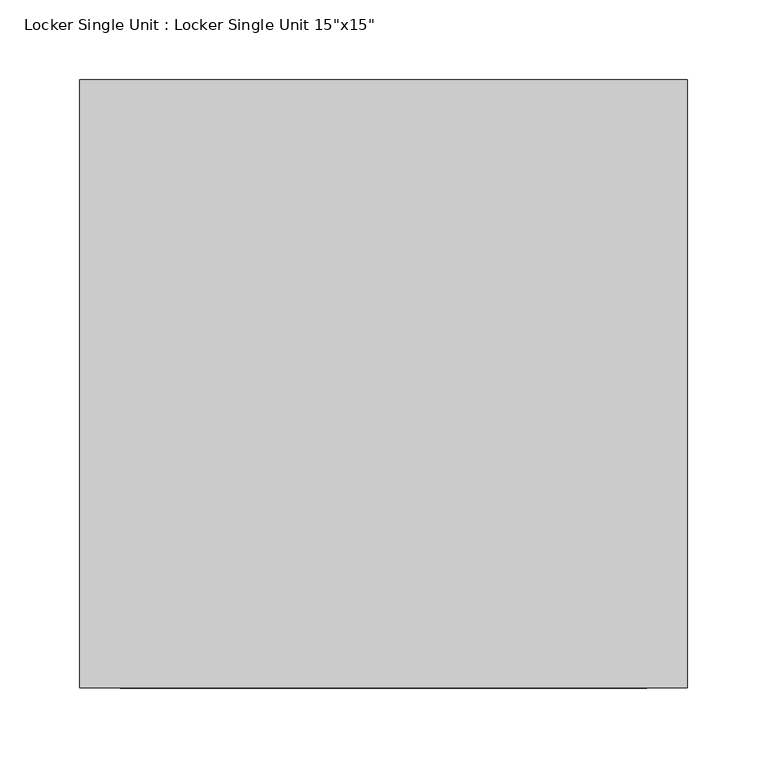
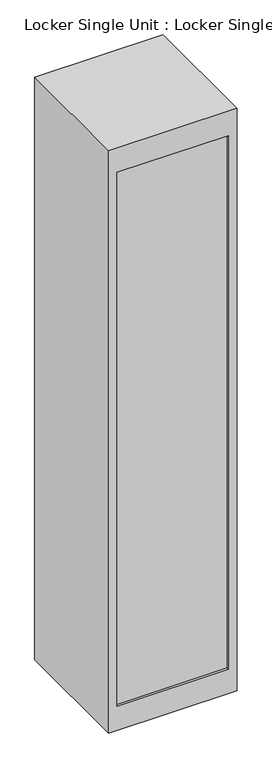
"""IFC4 building model written with IfcOpenShell, lengths in millimetres: furniture geometry."""

from ifc_helpers import new_model, si_unit, origin, place, context, project, spatial, faceted_brep, source, transform, mapped, element, save


def furniture_2f98ca00(model_context):
    return source(origin(), model_context, "Body", "Brep", [
        faceted_brep([(190.5, -190.5, 1828.8), (190.5, 190.5, 1828.8), (-190.5, 190.5, 1828.8), (-190.5, -190.5, 1828.8), (190.5, -190.5, 0.0), (-190.5, -190.5, 0.0), (-190.5, 190.5, 0.0), (190.5, 190.5, 0.0), (165.1, -190.5, 1752.6), (165.1, -190.5, 76.2), (-165.1, -190.5, 76.2), (-165.1, -190.5, 1752.6), (165.1, -184.15, 76.2), (165.1, -184.15, 1752.6), (-165.1, -184.15, 1752.6), (-165.1, -184.15, 76.2)], [[[0, 1, 2, 3]], [[4, 5, 6, 7]], [[1, 0, 4, 7]], [[2, 1, 7, 6]], [[3, 2, 6, 5]], [[0, 3, 5, 4], [8, 9, 10, 11]], [[12, 13, 14, 15]], [[13, 12, 9, 8]], [[14, 13, 8, 11]], [[15, 14, 11, 10]], [[12, 15, 10, 9]]]),
    ])


if __name__ == "__main__":
    model = new_model("IFC4")
    model_context = context("Model", 3, world=origin())
    ifc_project = project(units=[si_unit("LENGTHUNIT", "METRE", prefix="MILLI")], contexts=[model_context])
    site = spatial("IfcSite", under=ifc_project)
    building = spatial("IfcBuilding", under=site)
    placement = place(None, origin())
    furniture_shape = furniture_2f98ca00(model_context)
    element("IfcFurniture", 1, ObjectType="Locker Single Unit : Locker Single Unit 15\"x15\"", at=placement, inside=building, context=model_context, shape_type="MappedRepresentation", body=[
        mapped(furniture_shape, transform((0.0, 0.0, 0.0), x_axis=(1.0, 0.0, 0.0), y_axis=(0.0, 1.0, 0.0), z_axis=(0.0, 0.0, 1.0))),
    ])
    save(model, "model.ifc")
